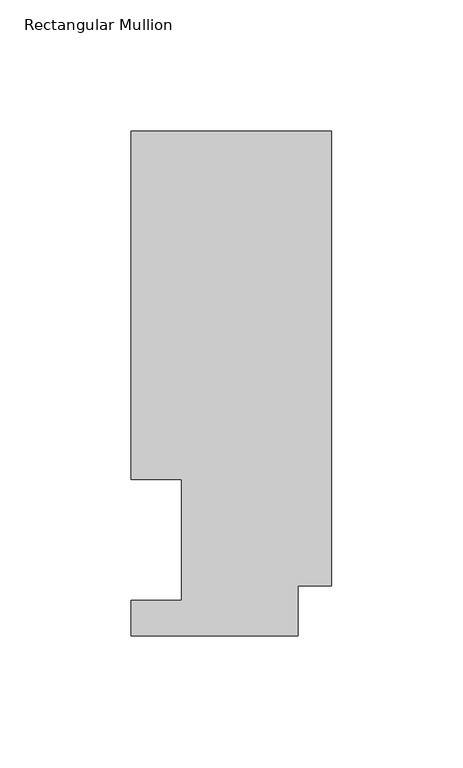
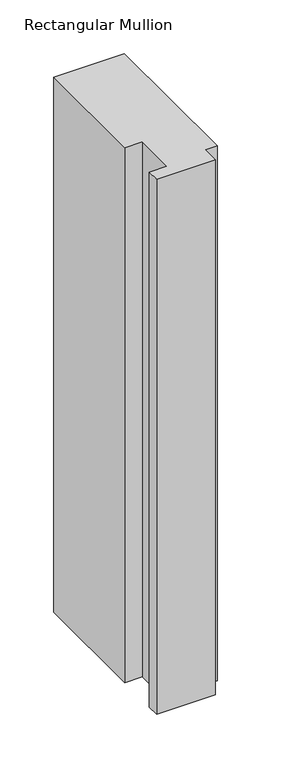
"""IFC4 building model written with IfcOpenShell, lengths in millimetres: member geometry, Rectangular Mullion."""

import ifcopenshell
import ifcopenshell.guid

model = None  # the IFC model being written
_history = None  # IfcOwnerHistory: only IFC2X3 demands one
_inside = {}  # id of a spatial element -> (the spatial element, [elements in it])
_under = {}  # id of a project, library or spatial element -> (it, [spatial elements below it])
_declared = {}  # id of a project -> (the project, [libraries it declares])
_typed = {}  # id of a type object -> (the type object, [elements of that type])
_made_of = {}  # id of a material, layer set ... -> (it, [elements and type objects made of it])


def new_model(schema):
    """Start an empty IFC model of exactly this schema.

    Asked for "IFC4X3", IfcOpenShell would pick the latest addendum, in which some entities
    have other attributes; the version numbers below select the first issue.
    IFC2X3 requires an IfcOwnerHistory on every rooted entity: one is made here for all.
    """
    global model, _history
    if schema == "IFC4X3":
        model = ifcopenshell.file(schema_version=(4, 3, 0, 0))
    else:
        model = ifcopenshell.file(schema=schema)
    _inside.clear()
    _under.clear()
    _declared.clear()
    _typed.clear()
    _made_of.clear()
    _history = None
    if model.schema == "IFC2X3":
        org = make("IfcOrganization", Name="unknown")
        user = make(
            "IfcPersonAndOrganization",
            ThePerson=make("IfcPerson", FamilyName="unknown"),
            TheOrganization=org,
        )
        app = make(
            "IfcApplication",
            ApplicationDeveloper=org,
            Version="unknown",
            ApplicationFullName="unknown",
            ApplicationIdentifier="unknown",
        )
        _history = make(
            "IfcOwnerHistory",
            OwningUser=user,
            OwningApplication=app,
            ChangeAction="ADDED",
            CreationDate=0,
        )
    return model


def make(cls, **values):
    """One entity of the class cls with the attributes given. An attribute that is None is left unset."""
    return model.create_entity(
        cls, **{name: value for name, value in values.items() if value is not None}
    )


def rooted(cls, **values):
    """An entity with a GlobalId (a new one), such as an element, a storey or a relation."""
    return make(cls, GlobalId=ifcopenshell.guid.new(), OwnerHistory=_history, **values)


def si_unit(unit_type, name, prefix=None):
    """IfcSIUnit, for example si_unit("LENGTHUNIT", "METRE", prefix="MILLI")."""
    return make("IfcSIUnit", UnitType=unit_type, Prefix=prefix, Name=name)


def assignment(units):
    """IfcUnitAssignment: the units of a project."""
    return None if units is None else make("IfcUnitAssignment", Units=units)


def point(xyz):
    """IfcCartesianPoint."""
    return None if xyz is None else make("IfcCartesianPoint", Coordinates=xyz)


def direction(xyz):
    """IfcDirection."""
    return None if xyz is None else make("IfcDirection", DirectionRatios=xyz)


def frame(location, z_axis=None, x_axis=None):
    """IfcAxis2Placement3D, a coordinate frame: its origin and axes. An axis left out is left unset."""
    return make(
        "IfcAxis2Placement3D",
        Location=point(location),
        Axis=direction(z_axis),
        RefDirection=direction(x_axis),
    )


def origin():
    """The frame at (0, 0, 0) with its axes left unset."""
    return frame((0.0, 0.0, 0.0))


def place(relative_to, where):
    """IfcLocalPlacement: puts the frame where relative to a parent placement (None: the world)."""
    return make(
        "IfcLocalPlacement", PlacementRelTo=relative_to, RelativePlacement=where
    )


def context(
    kind, dimensions, precision=None, world=None, true_north=None, identifier=None
):
    """IfcGeometricRepresentationContext, for example the 3D "Model" context."""
    return make(
        "IfcGeometricRepresentationContext",
        ContextIdentifier=identifier,
        ContextType=kind,
        CoordinateSpaceDimension=dimensions,
        Precision=precision,
        WorldCoordinateSystem=world,
        TrueNorth=true_north,
    )


def project(units=None, contexts=None):
    """IfcProject with its units and contexts."""
    return rooted(
        "IfcProject",
        Name="project",
        RepresentationContexts=contexts,
        UnitsInContext=assignment(units),
    )


def spatial(cls, under=None, at=None, **own):
    """A site, building, storey or space (cls), placed at a placement, below another one or the project."""
    s = rooted(cls, ObjectPlacement=at, **own)
    if under is not None:
        _under.setdefault(under.id(), (under, []))[1].append(s)
    return s


def polyline(points):
    """IfcPolyline through the points."""
    return make("IfcPolyline", Points=[point(p) for p in points])


def outline(outer, holes=None, kind="AREA"):
    """IfcArbitraryClosedProfileDef: a profile drawn as a closed curve; with holes, ...WithVoids."""
    if holes is None:
        return make("IfcArbitraryClosedProfileDef", ProfileType=kind, OuterCurve=outer)
    return make(
        "IfcArbitraryProfileDefWithVoids",
        ProfileType=kind,
        OuterCurve=outer,
        InnerCurves=holes,
    )


def extrude(swept, where, along, depth):
    """IfcExtrudedAreaSolid: the profile swept, set in the frame where, extruded along a direction by depth."""
    return make(
        "IfcExtrudedAreaSolid",
        SweptArea=swept,
        Position=where,
        ExtrudedDirection=direction(along),
        Depth=depth,
    )


def shape(context_of_items, identifier, shape_type, items):
    """IfcShapeRepresentation: the items that make up one representation, for example the "Body"."""
    return make(
        "IfcShapeRepresentation",
        ContextOfItems=context_of_items,
        RepresentationIdentifier=identifier,
        RepresentationType=shape_type,
        Items=items,
    )


def source(mapping_origin, context_of_items, identifier, shape_type, items):
    """IfcRepresentationMap: a shape defined once, which mapped items show again and again."""
    return make(
        "IfcRepresentationMap",
        MappingOrigin=mapping_origin,
        MappedRepresentation=shape(context_of_items, identifier, shape_type, items),
    )


def transform(
    local_origin,
    x_axis=None,
    y_axis=None,
    z_axis=None,
    scale=None,
    scale2=None,
    scale3=None,
    uniform=True,
):
    """IfcCartesianTransformationOperator3D, or its non-uniform kind. x_axis, y_axis, z_axis: its Axis1, 2, 3."""
    if uniform:
        return make(
            "IfcCartesianTransformationOperator3D",
            Axis1=direction(x_axis),
            Axis2=direction(y_axis),
            LocalOrigin=point(local_origin),
            Scale=scale,
            Axis3=direction(z_axis),
        )
    return make(
        "IfcCartesianTransformationOperator3DnonUniform",
        Axis1=direction(x_axis),
        Axis2=direction(y_axis),
        LocalOrigin=point(local_origin),
        Scale=scale,
        Axis3=direction(z_axis),
        Scale2=scale2,
        Scale3=scale3,
    )


def mapped(mapping_source, mapping_target):
    """IfcMappedItem: shows the shape of a source again, moved by a transform."""
    return make(
        "IfcMappedItem", MappingSource=mapping_source, MappingTarget=mapping_target
    )


def made_of(thing, what):
    """Note that an element or type object is made of a material, layer set ...; save() writes the relation."""
    if what is not None:
        _made_of.setdefault(what.id(), (what, []))[1].append(thing)
    return thing


def element(
    cls,
    number,
    at=None,
    inside=None,
    cuts=None,
    type_object=None,
    material=None,
    context=None,
    identifier="Body",
    shape_type=None,
    held_by="IfcProductDefinitionShape",
    body=None,
    shapes=None,
    **own,
):
    """One element of the class cls, such as IfcWall. Its Tag is "e" and its number.

    at: its placement. inside: the storey or other place that contains it. cuts: it is an
    opening in that element (IfcRelVoidsElement). A single representation is given by context,
    identifier, shape_type and body (its items); several are given by shapes. held_by: the class
    of the entity that holds the representations. save() writes the other relations.
    """
    e = rooted(cls, Tag="e%d" % number, ObjectPlacement=at, **own)
    if body is not None:
        shapes = [shape(context, identifier, shape_type, body)]
    if shapes is not None:
        e.Representation = make(held_by, Representations=shapes)
    if inside is not None:
        _inside.setdefault(inside.id(), (inside, []))[1].append(e)
    if cuts is not None:
        rooted(
            "IfcRelVoidsElement", RelatingBuildingElement=cuts, RelatedOpeningElement=e
        )
    if type_object is not None:
        _typed.setdefault(type_object.id(), (type_object, []))[1].append(e)
    return made_of(e, material)


def aggregate(whole, parts):
    """IfcRelAggregates: a whole, such as a stair, and the parts it consists of."""
    return rooted("IfcRelAggregates", RelatingObject=whole, RelatedObjects=parts)


def save(model, path):
    """Write the relations noted so far, then the file.

    IfcRelAggregates (storeys below a building ...), IfcRelContainedInSpatialStructure (elements
    in a storey), IfcRelDefinesByType, IfcRelAssociatesMaterial and IfcRelDeclares: one each for
    every whole, place, type object, material and project.
    """
    for whole, parts in _under.values():
        aggregate(whole, parts)
    for where, things in _inside.values():
        rooted(
            "IfcRelContainedInSpatialStructure",
            RelatedElements=things,
            RelatingStructure=where,
        )
    for kind, things in _typed.values():
        rooted("IfcRelDefinesByType", RelatedObjects=things, RelatingType=kind)
    for what, things in _made_of.values():
        rooted("IfcRelAssociatesMaterial", RelatedObjects=things, RelatingMaterial=what)
    for by, libraries in _declared.values():
        rooted("IfcRelDeclares", RelatingContext=by, RelatedDefinitions=libraries)
    model.write(path)


def rectangular_mullion_7f8257d9(model_context):
    return source(origin(), model_context, "Body", "SweptSolid", [
        extrude(outline(polyline([(-76.2, 192.09385), (0.0, 192.09385), (0.0, 19.06905), (-12.7, 19.06905), (-12.7, 0.04445), (-76.2, 0.04445), (-76.2, 13.50645), (-57.15, 13.50645), (-57.15, 59.53125), (-76.2, 59.53125), (-76.2, 192.09385)])), frame((0.0, 0.0, -609.56825), z_axis=(0.0, 0.0, 1.0), x_axis=(1.0, 0.0, 0.0)), (0.0, 0.0, 1.0), 609.56825),
    ])


if __name__ == "__main__":
    model = new_model("IFC4")
    model_context = context("Model", 3, world=origin())
    ifc_project = project(units=[si_unit("LENGTHUNIT", "METRE", prefix="MILLI")], contexts=[model_context])
    site = spatial("IfcSite", under=ifc_project)
    building = spatial("IfcBuilding", under=site)
    placement = place(None, origin())
    rectangular_mullion_shape = rectangular_mullion_7f8257d9(model_context)
    element("IfcMember", 1, ObjectType="Rectangular Mullion", at=placement, inside=building, context=model_context, shape_type="MappedRepresentation", body=[
        mapped(rectangular_mullion_shape, transform((0.0, 0.0, 0.0), x_axis=(1.0, 0.0, 0.0), y_axis=(0.0, 1.0, 0.0), z_axis=(0.0, 0.0, 1.0))),
    ])
    save(model, "model.ifc")
